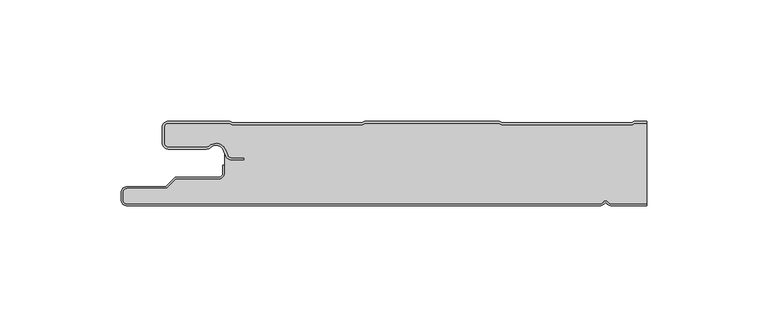
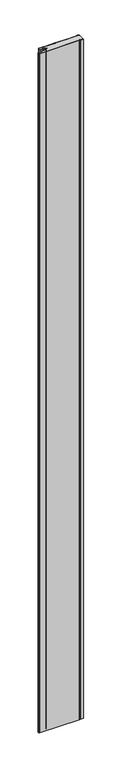
"""IFC4 building model written with IfcOpenShell, lengths in millimetres: plate geometry."""

from ifc_helpers import new_model, si_unit, point, frame_2d, origin, origin_with_axes, place, context, project, spatial, polyline, circle_curve, trimmed, segment, composite_curve, outline, extrude, source, transform, mapped, element, save


def plate_e72fdda2(model_context):
    return source(origin(), model_context, "Body", "SweptSolid", [
        extrude(outline(composite_curve([segment(trimmed(circle_curve(frame_2d((-97.49499, -9.0180361)), 2.50501), [point((-97.49499, -11.5230461))], [point((-100.0, -9.0180361))], False, "CARTESIAN"), True, "CONTINUOUS"), segment(polyline([(-100.0, -9.0180361), (-100.0, -2.50501)]), True, "CONTINUOUS"), segment(trimmed(circle_curve(frame_2d((-97.49499, -2.50501)), 2.50501), [point((-100.0, -2.50501))], [point((-97.49499, 0.0))], False, "CARTESIAN"), True, "CONTINUOUS"), segment(polyline([(-97.49499, 0.0), (-72.2103007, 0.0), (-71.028188, -0.6012024), (-17.6391467, -0.6012024), (-16.457034, 0.0), (39.1223647, 0.0), (40.3044773, -0.6012024), (93.6935186, -0.6012024), (94.8756313, 0.0), (100.0, 0.0), (100.0, -0.8), (95.0673777, -0.8), (93.885265, -1.4012024), (40.112731, -1.4012024), (38.9306183, -0.8), (-16.2652876, -0.8), (-17.4474003, -1.4012024), (-71.2199344, -1.4012024), (-72.4020471, -0.8), (-97.49499, -0.8)]), True, "CONTINUOUS"), segment(trimmed(circle_curve(frame_2d((-97.49499, -2.50501)), 1.70501), [point((-97.49499, -0.8))], [point((-99.2, -2.50501))], True, "CARTESIAN"), True, "CONTINUOUS"), segment(polyline([(-99.2, -2.50501), (-99.2, -9.0180361)]), True, "CONTINUOUS"), segment(trimmed(circle_curve(frame_2d((-97.49499, -9.0180361)), 1.70501), [point((-99.2, -9.0180361))], [point((-97.49499, -10.7230461))], True, "CARTESIAN"), True, "CONTINUOUS"), segment(polyline([(-97.49499, -10.7230461), (-81.8173283, -10.7230461)]), True, "CONTINUOUS"), segment(trimmed(circle_curve(frame_2d((-81.8173283, -9.0180361)), 1.70501), [point((-81.8173283, -10.7230461))], [point((-80.6895701, -10.2967936))], True, "CARTESIAN"), True, "CONTINUOUS"), segment(trimmed(circle_curve(frame_2d((-77.8407481, -13.5270541)), 4.307014), [point((-80.6895701, -10.2967936))], [point((-73.7934788, -12.0539686))], False, "CARTESIAN"), True, "CONTINUOUS"), segment(polyline([(-73.7934788, -12.0539686), (-73.0450711, -14.1102019)]), True, "CONTINUOUS"), segment(trimmed(circle_curve(frame_2d((-71.4428858, -13.5270541)), 1.70501), [point((-73.0450711, -14.1102019))], [point((-71.4428858, -15.2320641))], True, "CARTESIAN"), True, "CONTINUOUS"), segment(polyline([(-71.4428858, -15.2320641), (-66.4328657, -15.2320641), (-66.4328657, -16.0320641), (-71.4428858, -16.0320641)]), True, "CONTINUOUS"), segment(trimmed(circle_curve(frame_2d((-71.4428858, -13.5270541)), 2.50501), [point((-71.4428858, -16.0320641))], [point((-73.7968252, -14.383818))], False, "CARTESIAN"), True, "CONTINUOUS"), segment(polyline([(-73.7968252, -14.383818), (-74.5452329, -12.3275847)]), True, "CONTINUOUS"), segment(trimmed(circle_curve(frame_2d((-77.8407481, -13.5270541)), 3.507014), [point((-74.5452329, -12.3275847))], [point((-80.1604199, -10.8967936))], True, "CARTESIAN"), True, "CONTINUOUS"), segment(trimmed(circle_curve(frame_2d((-81.8173283, -9.0180361)), 2.50501), [point((-80.1604199, -10.8967936))], [point((-81.8173283, -11.5230461))], False, "CARTESIAN"), True, "CONTINUOUS"), segment(polyline([(-81.8173283, -11.5230461), (-97.49499, -11.5230461)]), True, "CONTINUOUS")], self_intersect=False)), origin_with_axes(), (0.0, 0.0, 1.0), 3500.0),
        extrude(outline(composite_curve([segment(trimmed(circle_curve(frame_2d((85.5, -32.5)), 1.7), [point((85.5, -34.2))], [point((84.0845596, -33.4415563))], False, "CARTESIAN"), True, "CONTINUOUS"), segment(trimmed(circle_curve(frame_2d((83.0, -34.1630095)), 1.302599), [point((84.0845596, -33.4415563))], [point((81.9154404, -33.4415563))], True, "CARTESIAN"), True, "CONTINUOUS"), segment(trimmed(circle_curve(frame_2d((80.5, -32.5)), 1.7), [point((81.9154404, -33.4415563))], [point((80.5, -34.2))], False, "CARTESIAN"), True, "CONTINUOUS"), segment(polyline([(80.5, -34.2), (-114.5, -34.2)]), True, "CONTINUOUS"), segment(trimmed(circle_curve(frame_2d((-114.5, -32.5)), 1.7), [point((-114.5, -34.2))], [point((-116.2, -32.5))], False, "CARTESIAN"), True, "CONTINUOUS"), segment(polyline([(-116.2, -32.5), (-116.2, -29.5)]), True, "CONTINUOUS"), segment(trimmed(circle_curve(frame_2d((-114.5, -29.5)), 1.7), [point((-116.2, -29.5))], [point((-114.5, -27.8))], False, "CARTESIAN"), True, "CONTINUOUS"), segment(polyline([(-114.5, -27.8), (-98.1686292, -27.8), (-94.4186292, -24.05), (-77.0, -24.05)]), True, "CONTINUOUS"), segment(trimmed(circle_curve(frame_2d((-77.0, -21.25)), 2.8), [point((-77.0, -24.05))], [point((-74.2, -21.25))], True, "CARTESIAN"), True, "CONTINUOUS"), segment(polyline([(-74.2, -21.25), (-74.2, -11.2258973)]), True, "CONTINUOUS"), segment(trimmed(circle_curve(frame_2d((-77.8407481, -13.5270541)), 4.307014), [point((-74.2, -11.2258973))], [point((-80.6895701, -10.2967936))], True, "CARTESIAN"), True, "CONTINUOUS"), segment(trimmed(circle_curve(frame_2d((-81.8173283, -9.0180361)), 1.70501), [point((-80.6895701, -10.2967936))], [point((-81.8173283, -10.7230461))], False, "CARTESIAN"), True, "CONTINUOUS"), segment(polyline([(-81.8173283, -10.7230461), (-97.49499, -10.7230461)]), True, "CONTINUOUS"), segment(trimmed(circle_curve(frame_2d((-97.49499, -9.0180361)), 1.70501), [point((-97.49499, -10.7230461))], [point((-99.2, -9.0180361))], False, "CARTESIAN"), True, "CONTINUOUS"), segment(polyline([(-99.2, -9.0180361), (-99.2, -2.50501)]), True, "CONTINUOUS"), segment(trimmed(circle_curve(frame_2d((-97.49499, -2.50501)), 1.70501), [point((-99.2, -2.50501))], [point((-97.49499, -0.8))], False, "CARTESIAN"), True, "CONTINUOUS"), segment(polyline([(-97.49499, -0.8), (-72.4020471, -0.8), (-71.2199344, -1.4012024), (-17.4474003, -1.4012024), (-16.2652876, -0.8), (38.9306183, -0.8), (40.112731, -1.4012024), (93.885265, -1.4012024), (95.0673777, -0.8), (100.0, -0.8), (100.0, -34.2), (85.5, -34.2)]), True, "CONTINUOUS")], self_intersect=False)), origin_with_axes(), (0.0, 0.0, 1.0), 3500.0),
        extrude(outline(composite_curve([segment(polyline([(80.5, -35.0), (-114.5, -35.0)]), True, "CONTINUOUS"), segment(trimmed(circle_curve(frame_2d((-114.5, -32.5)), 2.5), [point((-114.5, -35.0))], [point((-117.0, -32.5))], False, "CARTESIAN"), True, "CONTINUOUS"), segment(polyline([(-117.0, -32.5), (-117.0, -29.5)]), True, "CONTINUOUS"), segment(trimmed(circle_curve(frame_2d((-114.5, -29.5)), 2.5), [point((-117.0, -29.5))], [point((-114.5, -27.0))], False, "CARTESIAN"), True, "CONTINUOUS"), segment(polyline([(-114.5, -27.0), (-98.5, -27.0), (-94.75, -23.25), (-77.0, -23.25)]), True, "CONTINUOUS"), segment(trimmed(circle_curve(frame_2d((-77.0, -21.25)), 2.0), [point((-77.0, -23.25))], [point((-75.0, -21.25))], True, "CARTESIAN"), True, "CONTINUOUS"), segment(polyline([(-75.0, -21.25), (-75.0, -18.25), (-74.2, -18.25), (-74.2, -21.25)]), True, "CONTINUOUS"), segment(trimmed(circle_curve(frame_2d((-77.0, -21.25)), 2.8), [point((-74.2, -21.25))], [point((-77.0, -24.05))], False, "CARTESIAN"), True, "CONTINUOUS"), segment(polyline([(-77.0, -24.05), (-94.4186292, -24.05), (-98.1686292, -27.8), (-114.5, -27.8)]), True, "CONTINUOUS"), segment(trimmed(circle_curve(frame_2d((-114.5, -29.5)), 1.7), [point((-114.5, -27.8))], [point((-116.2, -29.5))], True, "CARTESIAN"), True, "CONTINUOUS"), segment(polyline([(-116.2, -29.5), (-116.2, -32.5)]), True, "CONTINUOUS"), segment(trimmed(circle_curve(frame_2d((-114.5, -32.5)), 1.7), [point((-116.2, -32.5))], [point((-114.5, -34.2))], True, "CARTESIAN"), True, "CONTINUOUS"), segment(polyline([(-114.5, -34.2), (80.5, -34.2)]), True, "CONTINUOUS"), segment(trimmed(circle_curve(frame_2d((80.5, -32.5)), 1.7), [point((80.5, -34.2))], [point((81.9154404, -33.4415563))], True, "CARTESIAN"), True, "CONTINUOUS"), segment(trimmed(circle_curve(frame_2d((83.0, -34.1630095)), 1.302599), [point((81.9154404, -33.4415563))], [point((84.0845596, -33.4415563))], False, "CARTESIAN"), True, "CONTINUOUS"), segment(trimmed(circle_curve(frame_2d((85.5, -32.5)), 1.7), [point((84.0845596, -33.4415563))], [point((85.5, -34.2))], True, "CARTESIAN"), True, "CONTINUOUS"), segment(polyline([(85.5, -34.2), (100.0, -34.2), (100.0, -35.0), (85.5, -35.0)]), True, "CONTINUOUS"), segment(trimmed(circle_curve(frame_2d((85.5, -32.5)), 2.5), [point((85.5, -35.0))], [point((83.4184699, -33.8846417))], False, "CARTESIAN"), True, "CONTINUOUS"), segment(trimmed(circle_curve(frame_2d((83.0, -34.1630095)), 0.502599), [point((83.4184699, -33.8846417))], [point((82.5815301, -33.8846417))], True, "CARTESIAN"), True, "CONTINUOUS"), segment(trimmed(circle_curve(frame_2d((80.5, -32.5)), 2.5), [point((82.5815301, -33.8846417))], [point((80.5, -35.0))], False, "CARTESIAN"), True, "CONTINUOUS")], self_intersect=False)), origin_with_axes(), (0.0, 0.0, 1.0), 3500.0),
    ])


if __name__ == "__main__":
    model = new_model("IFC4")
    model_context = context("Model", 3, world=origin())
    ifc_project = project(units=[si_unit("LENGTHUNIT", "METRE", prefix="MILLI")], contexts=[model_context])
    site = spatial("IfcSite", under=ifc_project)
    building = spatial("IfcBuilding", under=site)
    placement = place(None, origin())
    plate_shape = plate_e72fdda2(model_context)
    element("IfcPlate", 1, at=placement, inside=building, context=model_context, shape_type="MappedRepresentation", body=[
        mapped(plate_shape, transform((0.0, 0.0, 0.0), x_axis=(1.0, 0.0, 0.0), y_axis=(0.0, 1.0, 0.0), z_axis=(0.0, 0.0, 1.0))),
    ])
    save(model, "model.ifc")
